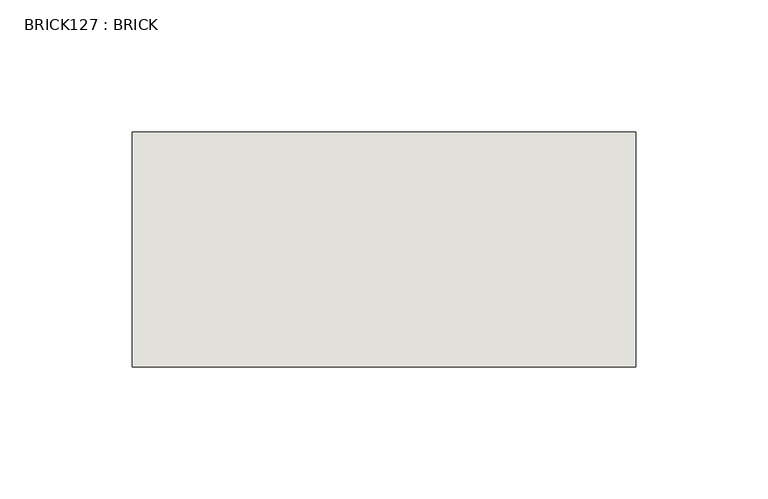
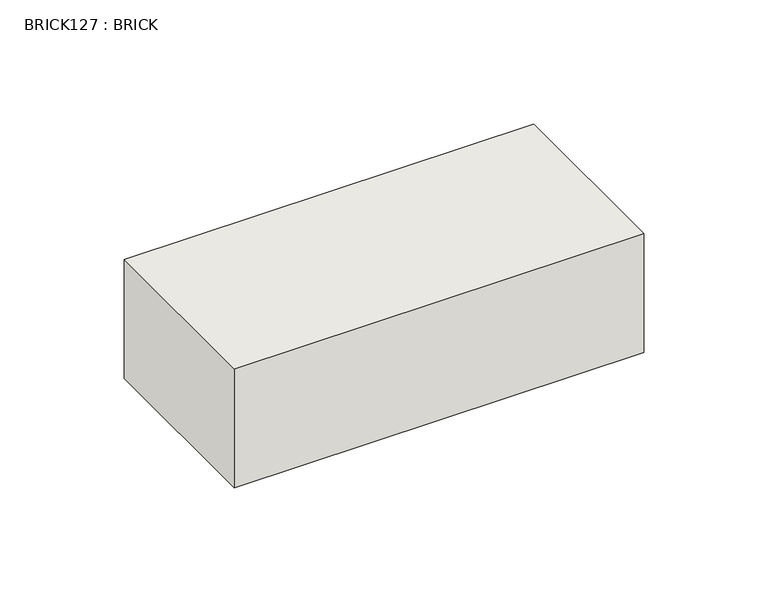
"""IFC4 building model written with IfcOpenShell, lengths in millimetres: wall geometry, BRICK127 : BRICK."""

from ifc_helpers import new_model, si_unit, frame, origin, place, context, project, spatial, polyline, outline, extrude, source, transform, mapped, element, save


def brick127_brick_f975b66b(model_context):
    return source(origin(), model_context, "Body", "SweptSolid", [
        extrude(outline(polyline([(428.4530711, 2586.2274125), (618.9530711, 2586.2274125), (618.9530711, 2497.3274125), (428.4530711, 2497.3274125), (428.4530711, 2586.2274125)])), frame((0.0, 0.0, 353.7148438), z_axis=(0.0, 0.0, 1.0), x_axis=(1.0, 0.0, 0.0)), (0.0, 0.0, 1.0), 58.4398437),
    ])


if __name__ == "__main__":
    model = new_model("IFC4")
    model_context = context("Model", 3, world=origin())
    ifc_project = project(units=[si_unit("LENGTHUNIT", "METRE", prefix="MILLI")], contexts=[model_context])
    site = spatial("IfcSite", under=ifc_project)
    building = spatial("IfcBuilding", under=site)
    placement = place(None, origin())
    brick127_brick_shape = brick127_brick_f975b66b(model_context)
    element("IfcWall", 1, ObjectType="BRICK127 : BRICK", at=placement, inside=building, context=model_context, shape_type="MappedRepresentation", body=[
        mapped(brick127_brick_shape, transform((0.0, 0.0, 0.0), x_axis=(1.0, 0.0, 0.0), y_axis=(0.0, 1.0, 0.0), z_axis=(0.0, 0.0, 1.0))),
    ])
    save(model, "model.ifc")
